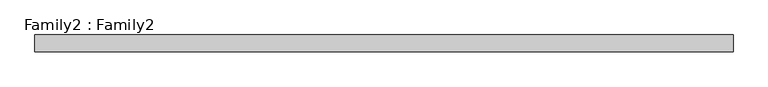
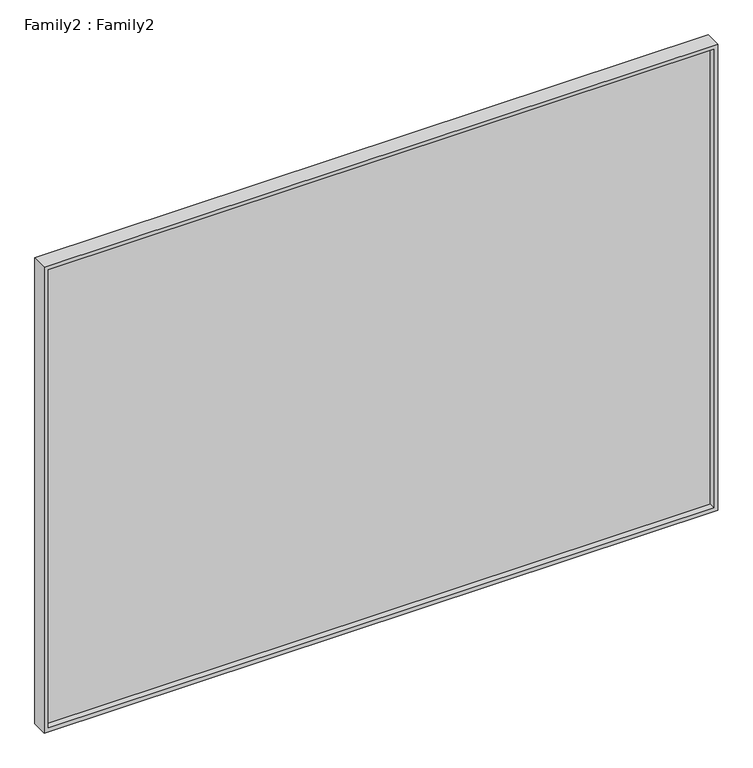
"""IFC4 building model written with IfcOpenShell, lengths in millimetres: plate geometry, Family2 : Family2."""

from ifc_helpers import new_model, si_unit, frame, origin, place, context, project, spatial, polyline, outline, extrude, source, transform, mapped, element, save


def family2_family2_f59a7604(model_context):
    return source(origin(), model_context, "Body", "SweptSolid", [
        extrude(outline(polyline([(2450.0, -1675.0), (0.0, -1675.0), (0.0, 1675.0), (2450.0, 1675.0), (2450.0, -1675.0)]), holes=[polyline([(20.0, -1655.0), (2430.0, -1655.0), (2430.0, 1655.0), (20.0, 1655.0), (20.0, -1655.0)])]), frame((0.0, -40.0, 0.0), z_axis=(0.0, 1.0, 0.0), x_axis=(0.0, 0.0, 1.0)), (0.0, 0.0, 1.0), 80.0),
        extrude(outline(polyline([(1655.0, -10.0), (-1655.0, -10.0), (-1655.0, 10.0), (1655.0, 10.0), (1655.0, -10.0)])), frame((0.0, 0.0, 20.0), z_axis=(0.0, 0.0, 1.0), x_axis=(1.0, 0.0, 0.0)), (0.0, 0.0, 1.0), 2410.0),
    ])


if __name__ == "__main__":
    model = new_model("IFC4")
    model_context = context("Model", 3, world=origin())
    ifc_project = project(units=[si_unit("LENGTHUNIT", "METRE", prefix="MILLI")], contexts=[model_context])
    site = spatial("IfcSite", under=ifc_project)
    building = spatial("IfcBuilding", under=site)
    placement = place(None, origin())
    family2_family2_shape = family2_family2_f59a7604(model_context)
    element("IfcPlate", 1, ObjectType="Family2 : Family2", at=placement, inside=building, context=model_context, shape_type="MappedRepresentation", body=[
        mapped(family2_family2_shape, transform((0.0, 0.0, 0.0), x_axis=(1.0, 0.0, 0.0), y_axis=(0.0, 1.0, 0.0), z_axis=(0.0, 0.0, 1.0))),
    ])
    save(model, "model.ifc")
